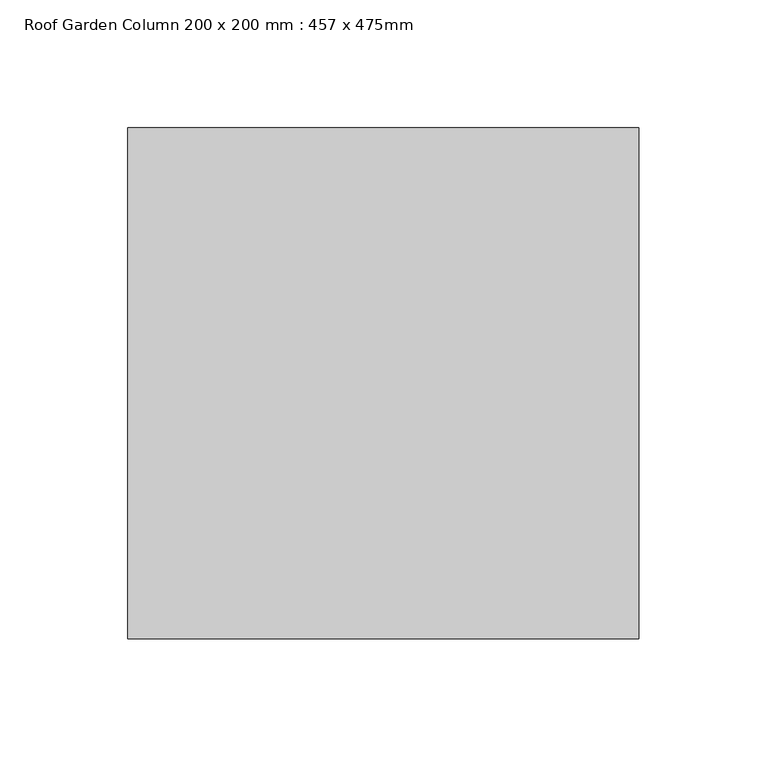
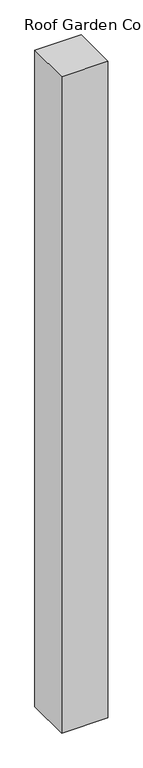
"""IFC4 building model written with IfcOpenShell, lengths in millimetres: column geometry, Roof Garden Column 200 x 200 mm : 457 x 475mm."""

from ifc_helpers import new_model, si_unit, frame, origin, place, context, project, spatial, polyline, outline, extrude, source, transform, mapped, element, save


def roof_garden_column_200_x_200_mm_457_x_475mm_7eaf3c10(model_context):
    return source(origin(), model_context, "Body", "SweptSolid", [
        extrude(outline(polyline([(100.0, 100.0), (100.0, -100.0), (-100.0, -100.0), (-100.0, 100.0), (100.0, 100.0)])), frame((0.0, 0.0, 4000.0), z_axis=(0.0, 0.0, 1.0), x_axis=(1.0, 0.0, 0.0)), (0.0, 0.0, 1.0), 3000.0),
    ])


if __name__ == "__main__":
    model = new_model("IFC4")
    model_context = context("Model", 3, world=origin())
    ifc_project = project(units=[si_unit("LENGTHUNIT", "METRE", prefix="MILLI")], contexts=[model_context])
    site = spatial("IfcSite", under=ifc_project)
    building = spatial("IfcBuilding", under=site)
    placement = place(None, origin())
    roof_garden_column_200_x_200_mm_457_x_475mm_shape = roof_garden_column_200_x_200_mm_457_x_475mm_7eaf3c10(model_context)
    element("IfcColumn", 1, ObjectType="Roof Garden Column 200 x 200 mm : 457 x 475mm", at=placement, inside=building, context=model_context, shape_type="MappedRepresentation", body=[
        mapped(roof_garden_column_200_x_200_mm_457_x_475mm_shape, transform((0.0, 0.0, 0.0), x_axis=(1.0, 0.0, 0.0), y_axis=(0.0, 1.0, 0.0), z_axis=(0.0, 0.0, 1.0))),
    ])
    save(model, "model.ifc")
